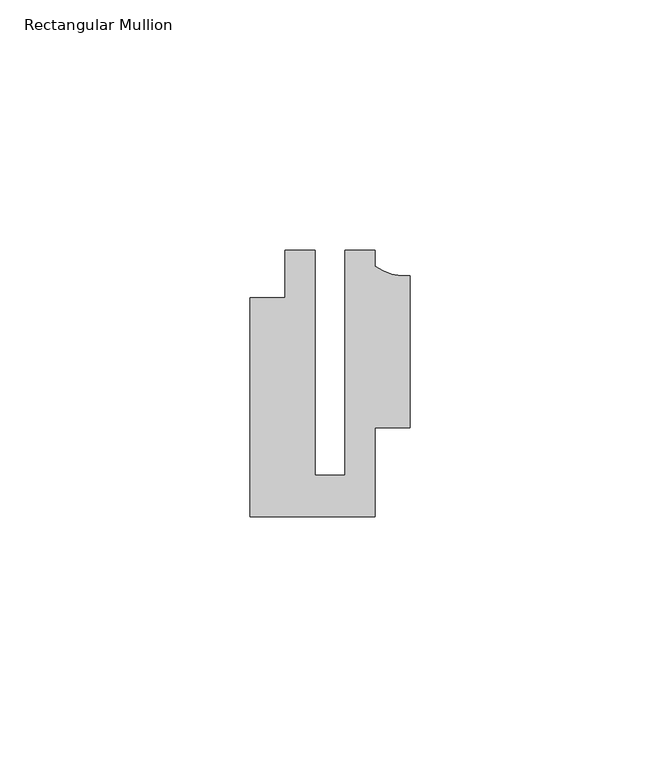
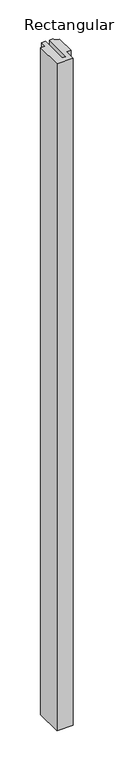
"""IFC4 building model written with IfcOpenShell, lengths in millimetres: member geometry, Rectangular Mullion."""

from ifc_helpers import new_model, si_unit, point, frame, frame_2d, origin, place, context, project, spatial, polyline, circle_curve, trimmed, segment, composite_curve, outline, extrude, source, transform, mapped, element, save


def rectangular_mullion_6fee0559(model_context):
    return source(origin(), model_context, "Body", "SweptSolid", [
        extrude(outline(composite_curve([segment(polyline([(15.9999391, -14.9953356), (9.0, -14.9953356), (9.0, -32.7960123), (-15.9999391, -32.7960123), (-15.9999391, 11.0039877), (-8.9999842, 11.0039877), (-8.9999842, 20.5039877), (-2.9999659, 20.5039877), (-2.9999659, -24.5130805), (2.9999676, -24.5130805), (2.9999676, 20.5039877), (8.9999842, 20.5039877), (8.9999842, 17.3165203)]), True, "CONTINUOUS"), segment(trimmed(circle_curve(frame_2d((15.1098019, 25.802169)), 10.4563907), [point((8.9999842, 17.3165203))], [point((15.9999391, 15.3837352))], True, "CARTESIAN"), True, "CONTINUOUS"), segment(polyline([(15.9999391, 15.3837352), (15.9999391, -14.9953356)]), True, "CONTINUOUS")], self_intersect=False)), frame((0.0, 0.0, -1092.5024995), z_axis=(0.0, 0.0, 1.0), x_axis=(1.0, 0.0, 0.0)), (0.0, 0.0, 1.0), 1092.5024995),
    ])


if __name__ == "__main__":
    model = new_model("IFC4")
    model_context = context("Model", 3, world=origin())
    ifc_project = project(units=[si_unit("LENGTHUNIT", "METRE", prefix="MILLI")], contexts=[model_context])
    site = spatial("IfcSite", under=ifc_project)
    building = spatial("IfcBuilding", under=site)
    placement = place(None, origin())
    rectangular_mullion_shape = rectangular_mullion_6fee0559(model_context)
    element("IfcMember", 1, ObjectType="Rectangular Mullion", at=placement, inside=building, context=model_context, shape_type="MappedRepresentation", body=[
        mapped(rectangular_mullion_shape, transform((0.0, 0.0, 0.0), x_axis=(1.0, 0.0, 0.0), y_axis=(0.0, 1.0, 0.0), z_axis=(0.0, 0.0, 1.0))),
    ])
    save(model, "model.ifc")
